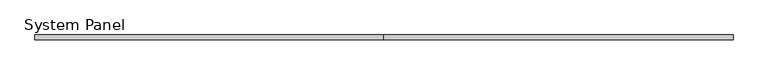
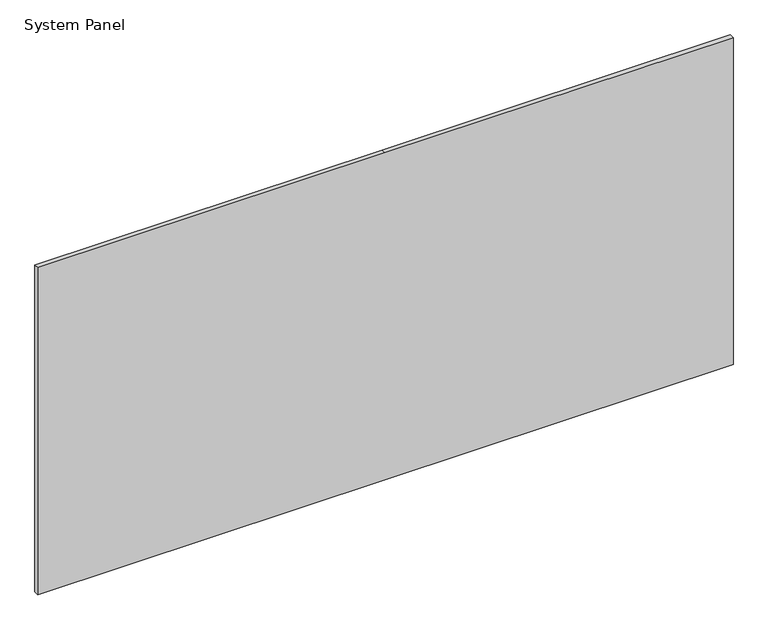
"""IFC4 building model written with IfcOpenShell, lengths in millimetres: plate geometry, System Panel."""

import ifcopenshell
import ifcopenshell.guid

model = None  # the IFC model being written
_history = None  # IfcOwnerHistory: only IFC2X3 demands one
_inside = {}  # id of a spatial element -> (the spatial element, [elements in it])
_under = {}  # id of a project, library or spatial element -> (it, [spatial elements below it])
_declared = {}  # id of a project -> (the project, [libraries it declares])
_typed = {}  # id of a type object -> (the type object, [elements of that type])
_made_of = {}  # id of a material, layer set ... -> (it, [elements and type objects made of it])


def new_model(schema):
    """Start an empty IFC model of exactly this schema.

    Asked for "IFC4X3", IfcOpenShell would pick the latest addendum, in which some entities
    have other attributes; the version numbers below select the first issue.
    IFC2X3 requires an IfcOwnerHistory on every rooted entity: one is made here for all.
    """
    global model, _history
    if schema == "IFC4X3":
        model = ifcopenshell.file(schema_version=(4, 3, 0, 0))
    else:
        model = ifcopenshell.file(schema=schema)
    _inside.clear()
    _under.clear()
    _declared.clear()
    _typed.clear()
    _made_of.clear()
    _history = None
    if model.schema == "IFC2X3":
        org = make("IfcOrganization", Name="unknown")
        user = make(
            "IfcPersonAndOrganization",
            ThePerson=make("IfcPerson", FamilyName="unknown"),
            TheOrganization=org,
        )
        app = make(
            "IfcApplication",
            ApplicationDeveloper=org,
            Version="unknown",
            ApplicationFullName="unknown",
            ApplicationIdentifier="unknown",
        )
        _history = make(
            "IfcOwnerHistory",
            OwningUser=user,
            OwningApplication=app,
            ChangeAction="ADDED",
            CreationDate=0,
        )
    return model


def make(cls, **values):
    """One entity of the class cls with the attributes given. An attribute that is None is left unset."""
    return model.create_entity(
        cls, **{name: value for name, value in values.items() if value is not None}
    )


def rooted(cls, **values):
    """An entity with a GlobalId (a new one), such as an element, a storey or a relation."""
    return make(cls, GlobalId=ifcopenshell.guid.new(), OwnerHistory=_history, **values)


def si_unit(unit_type, name, prefix=None):
    """IfcSIUnit, for example si_unit("LENGTHUNIT", "METRE", prefix="MILLI")."""
    return make("IfcSIUnit", UnitType=unit_type, Prefix=prefix, Name=name)


def assignment(units):
    """IfcUnitAssignment: the units of a project."""
    return None if units is None else make("IfcUnitAssignment", Units=units)


def point(xyz):
    """IfcCartesianPoint."""
    return None if xyz is None else make("IfcCartesianPoint", Coordinates=xyz)


def direction(xyz):
    """IfcDirection."""
    return None if xyz is None else make("IfcDirection", DirectionRatios=xyz)


def frame(location, z_axis=None, x_axis=None):
    """IfcAxis2Placement3D, a coordinate frame: its origin and axes. An axis left out is left unset."""
    return make(
        "IfcAxis2Placement3D",
        Location=point(location),
        Axis=direction(z_axis),
        RefDirection=direction(x_axis),
    )


def origin():
    """The frame at (0, 0, 0) with its axes left unset."""
    return frame((0.0, 0.0, 0.0))


def place(relative_to, where):
    """IfcLocalPlacement: puts the frame where relative to a parent placement (None: the world)."""
    return make(
        "IfcLocalPlacement", PlacementRelTo=relative_to, RelativePlacement=where
    )


def context(
    kind, dimensions, precision=None, world=None, true_north=None, identifier=None
):
    """IfcGeometricRepresentationContext, for example the 3D "Model" context."""
    return make(
        "IfcGeometricRepresentationContext",
        ContextIdentifier=identifier,
        ContextType=kind,
        CoordinateSpaceDimension=dimensions,
        Precision=precision,
        WorldCoordinateSystem=world,
        TrueNorth=true_north,
    )


def project(units=None, contexts=None):
    """IfcProject with its units and contexts."""
    return rooted(
        "IfcProject",
        Name="project",
        RepresentationContexts=contexts,
        UnitsInContext=assignment(units),
    )


def spatial(cls, under=None, at=None, **own):
    """A site, building, storey or space (cls), placed at a placement, below another one or the project."""
    s = rooted(cls, ObjectPlacement=at, **own)
    if under is not None:
        _under.setdefault(under.id(), (under, []))[1].append(s)
    return s


def polyline(points):
    """IfcPolyline through the points."""
    return make("IfcPolyline", Points=[point(p) for p in points])


def outline(outer, holes=None, kind="AREA"):
    """IfcArbitraryClosedProfileDef: a profile drawn as a closed curve; with holes, ...WithVoids."""
    if holes is None:
        return make("IfcArbitraryClosedProfileDef", ProfileType=kind, OuterCurve=outer)
    return make(
        "IfcArbitraryProfileDefWithVoids",
        ProfileType=kind,
        OuterCurve=outer,
        InnerCurves=holes,
    )


def extrude(swept, where, along, depth):
    """IfcExtrudedAreaSolid: the profile swept, set in the frame where, extruded along a direction by depth."""
    return make(
        "IfcExtrudedAreaSolid",
        SweptArea=swept,
        Position=where,
        ExtrudedDirection=direction(along),
        Depth=depth,
    )


def shape(context_of_items, identifier, shape_type, items):
    """IfcShapeRepresentation: the items that make up one representation, for example the "Body"."""
    return make(
        "IfcShapeRepresentation",
        ContextOfItems=context_of_items,
        RepresentationIdentifier=identifier,
        RepresentationType=shape_type,
        Items=items,
    )


def source(mapping_origin, context_of_items, identifier, shape_type, items):
    """IfcRepresentationMap: a shape defined once, which mapped items show again and again."""
    return make(
        "IfcRepresentationMap",
        MappingOrigin=mapping_origin,
        MappedRepresentation=shape(context_of_items, identifier, shape_type, items),
    )


def transform(
    local_origin,
    x_axis=None,
    y_axis=None,
    z_axis=None,
    scale=None,
    scale2=None,
    scale3=None,
    uniform=True,
):
    """IfcCartesianTransformationOperator3D, or its non-uniform kind. x_axis, y_axis, z_axis: its Axis1, 2, 3."""
    if uniform:
        return make(
            "IfcCartesianTransformationOperator3D",
            Axis1=direction(x_axis),
            Axis2=direction(y_axis),
            LocalOrigin=point(local_origin),
            Scale=scale,
            Axis3=direction(z_axis),
        )
    return make(
        "IfcCartesianTransformationOperator3DnonUniform",
        Axis1=direction(x_axis),
        Axis2=direction(y_axis),
        LocalOrigin=point(local_origin),
        Scale=scale,
        Axis3=direction(z_axis),
        Scale2=scale2,
        Scale3=scale3,
    )


def mapped(mapping_source, mapping_target):
    """IfcMappedItem: shows the shape of a source again, moved by a transform."""
    return make(
        "IfcMappedItem", MappingSource=mapping_source, MappingTarget=mapping_target
    )


def made_of(thing, what):
    """Note that an element or type object is made of a material, layer set ...; save() writes the relation."""
    if what is not None:
        _made_of.setdefault(what.id(), (what, []))[1].append(thing)
    return thing


def element(
    cls,
    number,
    at=None,
    inside=None,
    cuts=None,
    type_object=None,
    material=None,
    context=None,
    identifier="Body",
    shape_type=None,
    held_by="IfcProductDefinitionShape",
    body=None,
    shapes=None,
    **own,
):
    """One element of the class cls, such as IfcWall. Its Tag is "e" and its number.

    at: its placement. inside: the storey or other place that contains it. cuts: it is an
    opening in that element (IfcRelVoidsElement). A single representation is given by context,
    identifier, shape_type and body (its items); several are given by shapes. held_by: the class
    of the entity that holds the representations. save() writes the other relations.
    """
    e = rooted(cls, Tag="e%d" % number, ObjectPlacement=at, **own)
    if body is not None:
        shapes = [shape(context, identifier, shape_type, body)]
    if shapes is not None:
        e.Representation = make(held_by, Representations=shapes)
    if inside is not None:
        _inside.setdefault(inside.id(), (inside, []))[1].append(e)
    if cuts is not None:
        rooted(
            "IfcRelVoidsElement", RelatingBuildingElement=cuts, RelatedOpeningElement=e
        )
    if type_object is not None:
        _typed.setdefault(type_object.id(), (type_object, []))[1].append(e)
    return made_of(e, material)


def aggregate(whole, parts):
    """IfcRelAggregates: a whole, such as a stair, and the parts it consists of."""
    return rooted("IfcRelAggregates", RelatingObject=whole, RelatedObjects=parts)


def save(model, path):
    """Write the relations noted so far, then the file.

    IfcRelAggregates (storeys below a building ...), IfcRelContainedInSpatialStructure (elements
    in a storey), IfcRelDefinesByType, IfcRelAssociatesMaterial and IfcRelDeclares: one each for
    every whole, place, type object, material and project.
    """
    for whole, parts in _under.values():
        aggregate(whole, parts)
    for where, things in _inside.values():
        rooted(
            "IfcRelContainedInSpatialStructure",
            RelatedElements=things,
            RelatingStructure=where,
        )
    for kind, things in _typed.values():
        rooted("IfcRelDefinesByType", RelatedObjects=things, RelatingType=kind)
    for what, things in _made_of.values():
        rooted("IfcRelAssociatesMaterial", RelatedObjects=things, RelatingMaterial=what)
    for by, libraries in _declared.values():
        rooted("IfcRelDeclares", RelatingContext=by, RelatedDefinitions=libraries)
    model.write(path)


def system_panel_90d152fb(model_context):
    return source(origin(), model_context, "Body", "SweptSolid", [
        extrude(outline(polyline([(0.0, -1193.75), (0.0, -1.25), (0.0, 1193.75), (1187.5, 1193.75), (1187.5, -1.25), (1187.5, -1193.75), (0.0, -1193.75)])), frame((0.0, -8.0, 0.0), z_axis=(0.0, 1.0, 0.0), x_axis=(0.0, 0.0, 1.0)), (0.0, 0.0, 1.0), 16.0),
    ])


if __name__ == "__main__":
    model = new_model("IFC4")
    model_context = context("Model", 3, world=origin())
    ifc_project = project(units=[si_unit("LENGTHUNIT", "METRE", prefix="MILLI")], contexts=[model_context])
    site = spatial("IfcSite", under=ifc_project)
    building = spatial("IfcBuilding", under=site)
    placement = place(None, origin())
    system_panel_shape = system_panel_90d152fb(model_context)
    element("IfcPlate", 1, ObjectType="System Panel", at=placement, inside=building, context=model_context, shape_type="MappedRepresentation", body=[
        mapped(system_panel_shape, transform((0.0, 0.0, 0.0), x_axis=(1.0, 0.0, 0.0), y_axis=(0.0, 1.0, 0.0), z_axis=(0.0, 0.0, 1.0))),
    ])
    save(model, "model.ifc")
